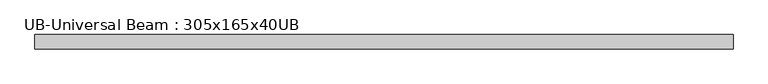
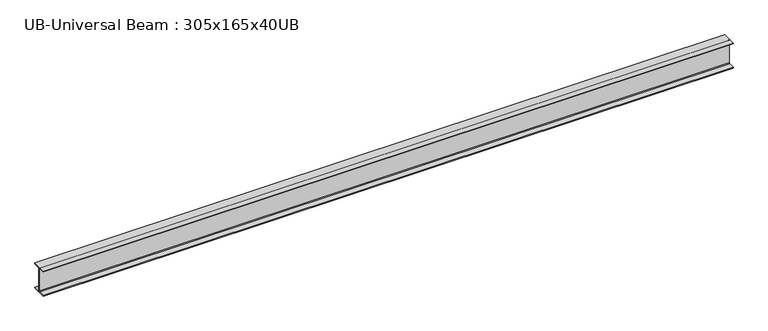
"""IFC4 building model written with IfcOpenShell, lengths in millimetres: beam geometry, UB-Universal Beam : 305x165x40UB."""

from ifc_helpers import new_model, si_unit, point, frame, frame_2d, origin, place, context, project, spatial, polyline, circle_curve, trimmed, segment, composite_curve, outline, extrude, source, transform, mapped, element, save


def ub_universal_beam_305x165x40ub_0900d0f6(model_context):
    return source(origin(), model_context, "Body", "SweptSolid", [
        extrude(outline(composite_curve([segment(polyline([(82.5, -141.5), (82.5, -151.7), (-82.5, -151.7), (-82.5, -141.5), (-11.9, -141.5)]), True, "CONTINUOUS"), segment(trimmed(circle_curve(frame_2d((-11.9, -132.6)), 8.9), [point((-11.9, -141.5))], [point((-3.0, -132.6))], True, "CARTESIAN"), True, "CONTINUOUS"), segment(polyline([(-3.0, -132.6), (-3.0, 132.6)]), True, "CONTINUOUS"), segment(trimmed(circle_curve(frame_2d((-11.9, 132.6)), 8.9), [point((-3.0, 132.6))], [point((-11.9, 141.5))], True, "CARTESIAN"), True, "CONTINUOUS"), segment(polyline([(-11.9, 141.5), (-82.5, 141.5), (-82.5, 151.7), (82.5, 151.7), (82.5, 141.5), (11.9, 141.5)]), True, "CONTINUOUS"), segment(trimmed(circle_curve(frame_2d((11.9, 132.6)), 8.9), [point((11.9, 141.5))], [point((3.0, 132.6))], True, "CARTESIAN"), True, "CONTINUOUS"), segment(polyline([(3.0, 132.6), (3.0, -132.6)]), True, "CONTINUOUS"), segment(trimmed(circle_curve(frame_2d((11.9, -132.6)), 8.9), [point((3.0, -132.6))], [point((11.9, -141.5))], True, "CARTESIAN"), True, "CONTINUOUS"), segment(polyline([(11.9, -141.5), (82.5, -141.5)]), True, "CONTINUOUS")], self_intersect=False)), frame((-3959.1169244, 0.0, 0.0), z_axis=(1.0, 0.0, 0.0), x_axis=(0.0, 1.0, 0.0)), (0.0, 0.0, 1.0), 7925.7824616),
    ])


if __name__ == "__main__":
    model = new_model("IFC4")
    model_context = context("Model", 3, world=origin())
    ifc_project = project(units=[si_unit("LENGTHUNIT", "METRE", prefix="MILLI")], contexts=[model_context])
    site = spatial("IfcSite", under=ifc_project)
    building = spatial("IfcBuilding", under=site)
    placement = place(None, origin())
    ub_universal_beam_305x165x40ub_shape = ub_universal_beam_305x165x40ub_0900d0f6(model_context)
    element("IfcBeam", 1, ObjectType="UB-Universal Beam : 305x165x40UB", at=placement, inside=building, context=model_context, shape_type="MappedRepresentation", body=[
        mapped(ub_universal_beam_305x165x40ub_shape, transform((0.0, 0.0, 0.0), x_axis=(1.0, 0.0, 0.0), y_axis=(0.0, 1.0, 0.0), z_axis=(0.0, 0.0, 1.0))),
    ])
    save(model, "model.ifc")
